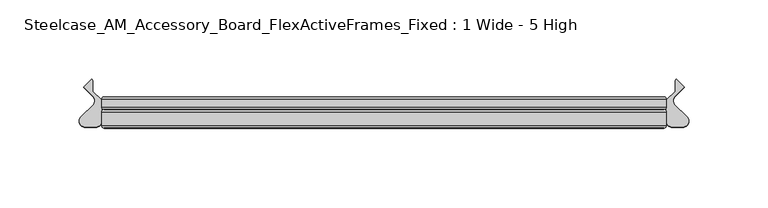
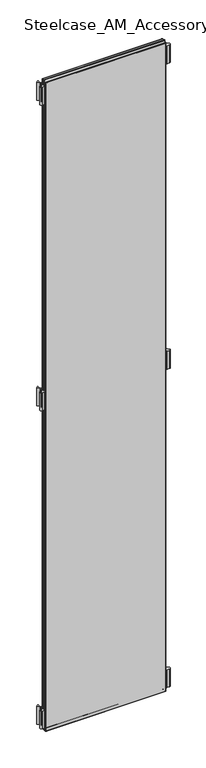
"""IFC4 building model written with IfcOpenShell, lengths in millimetres: furniture geometry, Steelcase_AM_Accessory_Board_FlexActiveFrames_Fixed : 1 Wide - 5 High."""

from ifc_helpers import new_model, si_unit, point, frame, frame_2d, origin, place, context, project, spatial, polyline, circle_curve, ellipse_curve, trimmed, segment, composite_curve, outline, extrude, source, transform, mapped, element, save
from ifc_brep_helpers import plane_surface, cylinder_surface, advanced_brep


def steelcase_am_accessory_board_flexactiveframes_fixed_1_wide_5_77cd42a0(model_context):
    return source(origin(), model_context, "Body", "SolidModel", [
        extrude(outline(composite_curve([segment(trimmed(circle_curve(frame_2d((366.3109206, -15.2513959)), 3.81), [point((369.0031146, -12.5554375))], [point((366.3109156, -19.0613959))], False, "CARTESIAN"), True, "CONTINUOUS"), segment(polyline([(366.3109156, -19.0613959), (359.8052393, -19.0613873)]), True, "CONTINUOUS"), segment(trimmed(circle_curve(frame_2d((359.8052443, -15.2513873)), 3.81), [point((359.8052393, -19.0613873))], [point((355.9952443, -15.2513873))], False, "CARTESIAN"), True, "CONTINUOUS"), segment(polyline([(355.9952443, -15.2513873), (355.9952443, -2.0686095), (361.4976034, 3.4250486), (361.4976034, 10.299411), (362.2035681, 11.2027231), (367.1573362, 6.2470172), (361.4203075, 0.3149559)]), True, "CONTINUOUS"), segment(trimmed(circle_curve(frame_2d((364.1590296, -2.3337233)), 3.81), [point((361.4203075, 0.3149559))], [point((361.4668356, -5.0296817))], True, "CARTESIAN"), True, "CONTINUOUS"), segment(polyline([(361.4668356, -5.0296817), (369.0031146, -12.5554375)]), True, "CONTINUOUS")], self_intersect=False)), frame((0.0, 0.0, 1104.4936), z_axis=(0.0, 0.0, 1.0), x_axis=(1.0, 0.0, 0.0)), (0.0, 0.0, 1.0), 55.88),
        extrude(outline(composite_curve([segment(polyline([(-13.0078703, -12.5554375), (-5.4715914, -5.0296817)]), True, "CONTINUOUS"), segment(trimmed(circle_curve(frame_2d((-8.1637853, -2.3337233)), 3.81), [point((-5.4715914, -5.0296817))], [point((-5.4250632, 0.3149559))], True, "CARTESIAN"), True, "CONTINUOUS"), segment(polyline([(-5.4250632, 0.3149559), (-11.1620919, 6.2470172), (-6.2083238, 11.2027231), (-5.5023592, 10.299411), (-5.5023592, 3.4250486), (0.0, -2.0686095), (0.0, -15.2513873)]), True, "CONTINUOUS"), segment(trimmed(circle_curve(frame_2d((-3.81, -15.2513873)), 3.81), [point((0.0, -15.2513873))], [point((-3.809995, -19.0613873))], False, "CARTESIAN"), True, "CONTINUOUS"), segment(polyline([(-3.809995, -19.0613873), (-10.3156713, -19.0613959)]), True, "CONTINUOUS"), segment(trimmed(circle_curve(frame_2d((-10.3156763, -15.2513959)), 3.81), [point((-10.3156713, -19.0613959))], [point((-13.0078703, -12.5554375))], False, "CARTESIAN"), True, "CONTINUOUS")], self_intersect=False)), frame((0.0, 0.0, 1104.4936), z_axis=(0.0, 0.0, 1.0), x_axis=(1.0, 0.0, 0.0)), (0.0, 0.0, 1.0), 55.88),
        extrude(outline(composite_curve([segment(trimmed(circle_curve(frame_2d((366.3109206, -15.2513959)), 3.81), [point((369.0031146, -12.5554375))], [point((366.3109156, -19.0613959))], False, "CARTESIAN"), True, "CONTINUOUS"), segment(polyline([(366.3109156, -19.0613959), (359.8052393, -19.0613873)]), True, "CONTINUOUS"), segment(trimmed(circle_curve(frame_2d((359.8052443, -15.2513873)), 3.81), [point((359.8052393, -19.0613873))], [point((355.9952443, -15.2513873))], False, "CARTESIAN"), True, "CONTINUOUS"), segment(polyline([(355.9952443, -15.2513873), (355.9952443, -2.0686095), (361.4976034, 3.4250486), (361.4976034, 10.299411), (362.2035681, 11.2027231), (367.1573362, 6.2470172), (361.4203075, 0.3149559)]), True, "CONTINUOUS"), segment(trimmed(circle_curve(frame_2d((364.1590296, -2.3337233)), 3.81), [point((361.4203075, 0.3149559))], [point((361.4668356, -5.0296817))], True, "CARTESIAN"), True, "CONTINUOUS"), segment(polyline([(361.4668356, -5.0296817), (369.0031146, -12.5554375)]), True, "CONTINUOUS")], self_intersect=False)), frame((0.0, 0.0, 110.0836), z_axis=(0.0, 0.0, 1.0), x_axis=(1.0, 0.0, 0.0)), (0.0, 0.0, 1.0), 55.88),
        extrude(outline(composite_curve([segment(trimmed(circle_curve(frame_2d((366.3109206, -15.2513959)), 3.81), [point((369.0031146, -12.5554375))], [point((366.3109156, -19.0613959))], False, "CARTESIAN"), True, "CONTINUOUS"), segment(polyline([(366.3109156, -19.0613959), (359.8052393, -19.0613873)]), True, "CONTINUOUS"), segment(trimmed(circle_curve(frame_2d((359.8052443, -15.2513873)), 3.81), [point((359.8052393, -19.0613873))], [point((355.9952443, -15.2513873))], False, "CARTESIAN"), True, "CONTINUOUS"), segment(polyline([(355.9952443, -15.2513873), (355.9952443, -2.0686095), (361.4976034, 3.4250486), (361.4976034, 10.299411), (362.2035681, 11.2027231), (367.1573362, 6.2470172), (361.4203075, 0.3149559)]), True, "CONTINUOUS"), segment(trimmed(circle_curve(frame_2d((364.1590296, -2.3337233)), 3.81), [point((361.4203075, 0.3149559))], [point((361.4668356, -5.0296817))], True, "CARTESIAN"), True, "CONTINUOUS"), segment(polyline([(361.4668356, -5.0296817), (369.0031146, -12.5554375)]), True, "CONTINUOUS")], self_intersect=False)), frame((0.0, 0.0, 2059.7516006), z_axis=(0.0, 0.0, 1.0), x_axis=(1.0, 0.0, 0.0)), (0.0, 0.0, 1.0), 55.9983261),
        extrude(outline(composite_curve([segment(polyline([(-13.0078703, -12.5554375), (-5.4715914, -5.0296817)]), True, "CONTINUOUS"), segment(trimmed(circle_curve(frame_2d((-8.1637853, -2.3337233)), 3.81), [point((-5.4715914, -5.0296817))], [point((-5.4250632, 0.3149559))], True, "CARTESIAN"), True, "CONTINUOUS"), segment(polyline([(-5.4250632, 0.3149559), (-11.1620919, 6.2470172), (-6.2083238, 11.2027231), (-5.5023592, 10.299411), (-5.5023592, 3.4250486), (0.0, -2.0686095), (0.0, -15.2513873)]), True, "CONTINUOUS"), segment(trimmed(circle_curve(frame_2d((-3.81, -15.2513873)), 3.81), [point((0.0, -15.2513873))], [point((-3.809995, -19.0613873))], False, "CARTESIAN"), True, "CONTINUOUS"), segment(polyline([(-3.809995, -19.0613873), (-10.3156713, -19.0613959)]), True, "CONTINUOUS"), segment(trimmed(circle_curve(frame_2d((-10.3156763, -15.2513959)), 3.81), [point((-10.3156713, -19.0613959))], [point((-13.0078703, -12.5554375))], False, "CARTESIAN"), True, "CONTINUOUS")], self_intersect=False)), frame((0.0, 0.0, 110.0836), z_axis=(0.0, 0.0, 1.0), x_axis=(1.0, 0.0, 0.0)), (0.0, 0.0, 1.0), 55.88),
        extrude(outline(composite_curve([segment(polyline([(-13.0078703, -12.5554375), (-5.4715914, -5.0296817)]), True, "CONTINUOUS"), segment(trimmed(circle_curve(frame_2d((-8.1637853, -2.3337233)), 3.81), [point((-5.4715914, -5.0296817))], [point((-5.4250632, 0.3149559))], True, "CARTESIAN"), True, "CONTINUOUS"), segment(polyline([(-5.4250632, 0.3149559), (-11.1620919, 6.2470172), (-6.2083238, 11.2027231), (-5.5023592, 10.299411), (-5.5023592, 3.4250486), (0.0, -2.0686095), (0.0, -15.2513873)]), True, "CONTINUOUS"), segment(trimmed(circle_curve(frame_2d((-3.81, -15.2513873)), 3.81), [point((0.0, -15.2513873))], [point((-3.809995, -19.0613873))], False, "CARTESIAN"), True, "CONTINUOUS"), segment(polyline([(-3.809995, -19.0613873), (-10.3156713, -19.0613959)]), True, "CONTINUOUS"), segment(trimmed(circle_curve(frame_2d((-10.3156763, -15.2513959)), 3.81), [point((-10.3156713, -19.0613959))], [point((-13.0078703, -12.5554375))], False, "CARTESIAN"), True, "CONTINUOUS")], self_intersect=False)), frame((0.0, 0.0, 2059.7516006), z_axis=(0.0, 0.0, 1.0), x_axis=(1.0, 0.0, 0.0)), (0.0, 0.0, 1.0), 55.9983261),
        extrude(outline(polyline([(354.4952389, -19.7016999), (1.5000053, -19.7016999), (1.5000053, -8.0000171), (354.4952389, -8.0000171), (354.4952389, -19.7016999)])), frame((0.0, 0.0, 100.1536053), z_axis=(0.0, 0.0, 1.0), x_axis=(1.0, 0.0, 0.0)), (0.0, 0.0, 1.0), 2025.5963893),
        advanced_brep(
        [(0.0, -9.5000224, 2127.25), (1.5000053, -8.0000171, 2125.7499947), (1.5000053, -8.0000171, 100.1536053), (0.0, -9.5000224, 98.6536), (0.0, -18.2016946, 2127.25), (0.0, -18.2016946, 98.6536), (1.5000053, -19.7016999, 2125.7499947), (1.5000053, -19.7016999, 100.1536053), (354.4952389, -8.0000171, 100.1536053), (355.9952443, -9.5000224, 98.6536), (355.9952443, -18.2016946, 98.6536), (354.4952389, -19.7016999, 100.1536053), (354.4952389, -8.0000171, 2125.7499947), (355.9952443, -9.5000224, 2127.25), (355.9952443, -18.2016946, 2127.25), (354.4952389, -19.7016999, 2125.7499947)],
        [
            (0, 1, ellipse_curve(frame((1.5000053, -9.5000224, 2125.7499947), z_axis=(-0.7071067811865475, 0.0, -0.7071067811865475), x_axis=(-0.7071067811865474, 0.0, 0.7071067811865476)), 2.1213279, 1.5000053)),
            (1, 2),
            (2, 3, ellipse_curve(frame((1.5000053, -9.5000224, 100.1536053), z_axis=(-0.7071067811865475, 0.0, 0.7071067811865475), x_axis=(0.7071067811865474, 0.0, 0.7071067811865476)), 2.1213279, 1.5000053)),
            (3, 0),
            (4, 0),
            (3, 5),
            (5, 4),
            (1, 6),
            (6, 7),
            (7, 2),
            (2, 8),
            (8, 9, ellipse_curve(frame((354.4952389, -9.5000224, 100.1536053), z_axis=(-0.7071067811865475, 0.0, -0.7071067811865475), x_axis=(-0.7071067811865476, 0.0, 0.7071067811865474)), 2.1213279, 1.5000053)),
            (9, 3),
            (9, 10),
            (10, 5),
            (7, 11),
            (11, 8),
            (8, 12),
            (12, 13, ellipse_curve(frame((354.4952389, -9.5000224, 2125.7499947), z_axis=(0.7071067811865475, 0.0, -0.7071067811865475), x_axis=(-0.7071067811865474, 0.0, -0.7071067811865476)), 2.1213279, 1.5000053)),
            (13, 9),
            (13, 14),
            (14, 10),
            (11, 15),
            (15, 12),
            (12, 1),
            (0, 13),
            (4, 14),
            (15, 6),
            (6, 4, ellipse_curve(frame((1.5000053, -18.2016946, 2125.7499947), z_axis=(-0.7071067811865475, 0.0, -0.7071067811865475), x_axis=(-0.7071067811865474, 0.0, 0.7071067811865476)), 2.1213279, 1.5000053)),
            (5, 7, ellipse_curve(frame((1.5000053, -18.2016946, 100.1536053), z_axis=(-0.7071067811865475, 0.0, 0.7071067811865475), x_axis=(0.7071067811865474, 0.0, 0.7071067811865476)), 2.1213279, 1.5000053)),
            (10, 11, ellipse_curve(frame((354.4952389, -18.2016946, 100.1536053), z_axis=(-0.7071067811865475, 0.0, -0.7071067811865475), x_axis=(-0.7071067811865476, 0.0, 0.7071067811865474)), 2.1213279, 1.5000053)),
            (14, 15, ellipse_curve(frame((354.4952389, -18.2016946, 2125.7499947), z_axis=(0.7071067811865475, 0.0, -0.7071067811865475), x_axis=(-0.7071067811865474, 0.0, -0.7071067811865476)), 2.1213279, 1.5000053)),
        ],
        [
            cylinder_surface(frame((1.5000053, -9.5000224, 2127.25), z_axis=(0.0, 0.0, 1.0), x_axis=(1.0, 0.0, 0.0)), 1.5000053),
            plane_surface(frame((0.0, -9.5000224, 2127.25), z_axis=(-1.0, 0.0, 0.0), x_axis=(0.0, 0.0, -1.0))),
            plane_surface(frame((1.5000053, -19.7016999, 2125.7499947), z_axis=(1.0, 0.0, 0.0), x_axis=(0.0, 0.0, -1.0))),
            cylinder_surface(frame((0.0, -9.5000224, 100.1536053), z_axis=(-1.0, 0.0, 0.0), x_axis=(0.0, 0.0, 1.0)), 1.5000053),
            plane_surface(frame((0.0, -9.5000224, 98.6536), z_axis=(0.0, 0.0, -1.0), x_axis=(1.0, 0.0, 0.0))),
            plane_surface(frame((1.5000053, -19.7016999, 100.1536053), z_axis=(0.0, 0.0, 1.0), x_axis=(1.0, 0.0, 0.0))),
            cylinder_surface(frame((354.4952389, -9.5000224, 98.6536), z_axis=(0.0, 0.0, -1.0), x_axis=(-1.0, 0.0, 0.0)), 1.5000053),
            plane_surface(frame((355.9952443, -9.5000224, 98.6536), z_axis=(1.0, 0.0, 0.0), x_axis=(0.0, 0.0, 1.0))),
            plane_surface(frame((354.4952389, -19.7016999, 100.1536053), z_axis=(-1.0, 0.0, 0.0), x_axis=(0.0, 0.0, 1.0))),
            cylinder_surface(frame((355.9952443, -9.5000224, 2125.7499947), z_axis=(1.0, 0.0, 0.0), x_axis=(0.0, 0.0, -1.0)), 1.5000053),
            plane_surface(frame((355.9952443, -9.5000224, 2127.25), z_axis=(0.0, 0.0, 1.0), x_axis=(-1.0, 0.0, 0.0))),
            plane_surface(frame((354.4952389, -19.7016999, 2125.7499947), z_axis=(0.0, 0.0, -1.0), x_axis=(-1.0, 0.0, 0.0))),
            cylinder_surface(frame((1.5000053, -18.2016946, 2127.25), z_axis=(0.0, 0.0, 1.0), x_axis=(1.0, 0.0, 0.0)), 1.5000053),
            cylinder_surface(frame((0.0, -18.2016946, 100.1536053), z_axis=(-1.0, 0.0, 0.0), x_axis=(0.0, 0.0, 1.0)), 1.5000053),
            cylinder_surface(frame((354.4952389, -18.2016946, 98.6536), z_axis=(0.0, 0.0, -1.0), x_axis=(-1.0, 0.0, 0.0)), 1.5000053),
            cylinder_surface(frame((355.9952443, -18.2016946, 2125.7499947), z_axis=(1.0, 0.0, 0.0), x_axis=(0.0, 0.0, -1.0)), 1.5000053),
        ],
        [
            (0, [[1, 2, 3, 4]]),
            (1, [[5, -4, 6, 7]]),
            (2, [[8, 9, 10, -2]]),
            (3, [[-3, 11, 12, 13]]),
            (4, [[-6, -13, 14, 15]]),
            (5, [[-10, 16, 17, -11]]),
            (6, [[-12, 18, 19, 20]]),
            (7, [[-14, -20, 21, 22]]),
            (8, [[-17, 23, 24, -18]]),
            (9, [[-19, 25, -1, 26]]),
            (10, [[-21, -26, -5, 27]]),
            (11, [[-24, 28, -8, -25]]),
            (12, [[29, -7, 30, -9]]),
            (13, [[-30, -15, 31, -16]]),
            (14, [[-31, -22, 32, -23]]),
            (15, [[-32, -27, -29, -28]]),
        ],
    ),
        extrude(outline(polyline([(354.4952389, -8.0000171), (1.5000053, -8.0000171), (1.5000053, 0.0), (354.4952389, 0.0), (354.4952389, -8.0000171)])), frame((0.0, 0.0, 100.1536053), z_axis=(0.0, 0.0, 1.0), x_axis=(1.0, 0.0, 0.0)), (0.0, 0.0, 1.0), 2025.5963893),
        advanced_brep(
        [(0.0, -1.5000053, 2127.25), (1.5000053, 0.0, 2125.7499947), (1.5000053, 0.0, 100.1536053), (0.0, -1.5000053, 98.6536), (0.0, -6.5000117, 2127.25), (0.0, -6.5000117, 98.6536), (1.5000053, -8.0000171, 2125.7499947), (1.5000053, -8.0000171, 100.1536053), (354.4952389, 0.0, 100.1536053), (355.9952443, -1.5000053, 98.6536), (355.9952443, -6.5000117, 98.6536), (354.4952389, -8.0000171, 100.1536053), (354.4952389, 0.0, 2125.7499947), (355.9952443, -1.5000053, 2127.25), (355.9952443, -6.5000117, 2127.25), (354.4952389, -8.0000171, 2125.7499947)],
        [
            (0, 1, ellipse_curve(frame((1.5000053, -1.5000053, 2125.7499947), z_axis=(-0.7071067811865475, 0.0, -0.7071067811865475), x_axis=(-0.7071067811865474, 0.0, 0.7071067811865476)), 2.1213279, 1.5000053)),
            (1, 2),
            (2, 3, ellipse_curve(frame((1.5000053, -1.5000053, 100.1536053), z_axis=(-0.7071067811865475, 0.0, 0.7071067811865475), x_axis=(0.7071067811865474, 0.0, 0.7071067811865476)), 2.1213279, 1.5000053)),
            (3, 0),
            (4, 0),
            (3, 5),
            (5, 4),
            (6, 4, ellipse_curve(frame((1.5000053, -6.5000117, 2125.7499947), z_axis=(-0.7071067811865475, 0.0, -0.7071067811865475), x_axis=(-0.7071067811865474, 0.0, 0.7071067811865476)), 2.1213279, 1.5000053)),
            (5, 7, ellipse_curve(frame((1.5000053, -6.5000117, 100.1536053), z_axis=(-0.7071067811865475, 0.0, 0.7071067811865475), x_axis=(0.7071067811865474, 0.0, 0.7071067811865476)), 2.1213279, 1.5000053)),
            (7, 6),
            (1, 6),
            (7, 2),
            (2, 8),
            (8, 9, ellipse_curve(frame((354.4952389, -1.5000053, 100.1536053), z_axis=(-0.7071067811865475, 0.0, -0.7071067811865475), x_axis=(-0.7071067811865476, 0.0, 0.7071067811865474)), 2.1213279, 1.5000053)),
            (9, 3),
            (9, 10),
            (10, 5),
            (10, 11, ellipse_curve(frame((354.4952389, -6.5000117, 100.1536053), z_axis=(-0.7071067811865475, 0.0, -0.7071067811865475), x_axis=(-0.7071067811865476, 0.0, 0.7071067811865474)), 2.1213279, 1.5000053)),
            (11, 7),
            (11, 8),
            (8, 12),
            (12, 13, ellipse_curve(frame((354.4952389, -1.5000053, 2125.7499947), z_axis=(0.7071067811865475, 0.0, -0.7071067811865475), x_axis=(-0.7071067811865474, 0.0, -0.7071067811865476)), 2.1213279, 1.5000053)),
            (13, 9),
            (13, 14),
            (14, 10),
            (14, 15, ellipse_curve(frame((354.4952389, -6.5000117, 2125.7499947), z_axis=(0.7071067811865475, 0.0, -0.7071067811865475), x_axis=(-0.7071067811865474, 0.0, -0.7071067811865476)), 2.1213279, 1.5000053)),
            (15, 11),
            (15, 12),
            (12, 1),
            (0, 13),
            (4, 14),
            (6, 15),
        ],
        [
            cylinder_surface(frame((1.5000053, -1.5000053, 2127.25), z_axis=(0.0, 0.0, 1.0), x_axis=(1.0, 0.0, 0.0)), 1.5000053),
            plane_surface(frame((0.0, -1.5000053, 2127.25), z_axis=(-1.0, 0.0, 0.0), x_axis=(0.0, 0.0, -1.0))),
            cylinder_surface(frame((1.5000053, -6.5000117, 2127.25), z_axis=(0.0, 0.0, 1.0), x_axis=(1.0, 0.0, 0.0)), 1.5000053),
            plane_surface(frame((1.5000053, -8.0000171, 2125.7499947), z_axis=(1.0, 0.0, 0.0), x_axis=(0.0, 0.0, -1.0))),
            cylinder_surface(frame((0.0, -1.5000053, 100.1536053), z_axis=(-1.0, 0.0, 0.0), x_axis=(0.0, 0.0, 1.0)), 1.5000053),
            plane_surface(frame((0.0, -1.5000053, 98.6536), z_axis=(0.0, 0.0, -1.0), x_axis=(1.0, 0.0, 0.0))),
            cylinder_surface(frame((0.0, -6.5000117, 100.1536053), z_axis=(-1.0, 0.0, 0.0), x_axis=(0.0, 0.0, 1.0)), 1.5000053),
            plane_surface(frame((1.5000053, -8.0000171, 100.1536053), z_axis=(0.0, 0.0, 1.0), x_axis=(1.0, 0.0, 0.0))),
            cylinder_surface(frame((354.4952389, -1.5000053, 98.6536), z_axis=(0.0, 0.0, -1.0), x_axis=(-1.0, 0.0, 0.0)), 1.5000053),
            plane_surface(frame((355.9952443, -1.5000053, 98.6536), z_axis=(1.0, 0.0, 0.0), x_axis=(0.0, 0.0, 1.0))),
            cylinder_surface(frame((354.4952389, -6.5000117, 98.6536), z_axis=(0.0, 0.0, -1.0), x_axis=(-1.0, 0.0, 0.0)), 1.5000053),
            plane_surface(frame((354.4952389, -8.0000171, 100.1536053), z_axis=(-1.0, 0.0, 0.0), x_axis=(0.0, 0.0, 1.0))),
            cylinder_surface(frame((355.9952443, -1.5000053, 2125.7499947), z_axis=(1.0, 0.0, 0.0), x_axis=(0.0, 0.0, -1.0)), 1.5000053),
            plane_surface(frame((355.9952443, -1.5000053, 2127.25), z_axis=(0.0, 0.0, 1.0), x_axis=(-1.0, 0.0, 0.0))),
            cylinder_surface(frame((355.9952443, -6.5000117, 2125.7499947), z_axis=(1.0, 0.0, 0.0), x_axis=(0.0, 0.0, -1.0)), 1.5000053),
            plane_surface(frame((354.4952389, -8.0000171, 2125.7499947), z_axis=(0.0, 0.0, -1.0), x_axis=(-1.0, 0.0, 0.0))),
        ],
        [
            (0, [[1, 2, 3, 4]]),
            (1, [[5, -4, 6, 7]]),
            (2, [[8, -7, 9, 10]]),
            (3, [[11, -10, 12, -2]]),
            (4, [[-3, 13, 14, 15]]),
            (5, [[-6, -15, 16, 17]]),
            (6, [[-9, -17, 18, 19]]),
            (7, [[-12, -19, 20, -13]]),
            (8, [[-14, 21, 22, 23]]),
            (9, [[-16, -23, 24, 25]]),
            (10, [[-18, -25, 26, 27]]),
            (11, [[-20, -27, 28, -21]]),
            (12, [[-22, 29, -1, 30]]),
            (13, [[-24, -30, -5, 31]]),
            (14, [[-26, -31, -8, 32]]),
            (15, [[-28, -32, -11, -29]]),
        ],
    ),
    ])


if __name__ == "__main__":
    model = new_model("IFC4")
    model_context = context("Model", 3, world=origin())
    ifc_project = project(units=[si_unit("LENGTHUNIT", "METRE", prefix="MILLI")], contexts=[model_context])
    site = spatial("IfcSite", under=ifc_project)
    building = spatial("IfcBuilding", under=site)
    placement = place(None, origin())
    steelcase_am_accessory_board_flexactiveframes_fixed_1_wide_5_shape = steelcase_am_accessory_board_flexactiveframes_fixed_1_wide_5_77cd42a0(model_context)
    element("IfcFurniture", 1, ObjectType="Steelcase_AM_Accessory_Board_FlexActiveFrames_Fixed : 1 Wide - 5 High", at=placement, inside=building, context=model_context, shape_type="MappedRepresentation", body=[
        mapped(steelcase_am_accessory_board_flexactiveframes_fixed_1_wide_5_shape, transform((0.0, 0.0, 0.0), x_axis=(1.0, 0.0, 0.0), y_axis=(0.0, 1.0, 0.0), z_axis=(0.0, 0.0, 1.0))),
    ])
    save(model, "model.ifc")
